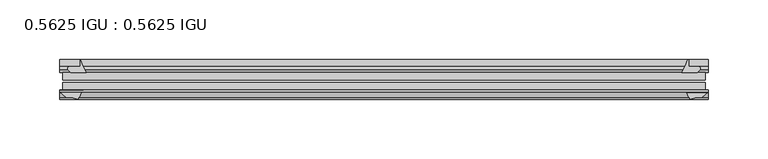
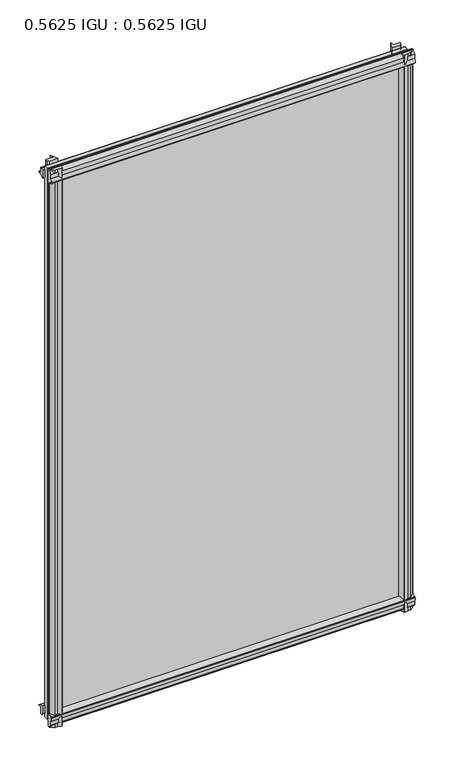
"""IFC4 building model written with IfcOpenShell, lengths in millimetres: plate geometry, 0.5625 IGU : 0.5625 IGU."""

import ifcopenshell
import ifcopenshell.guid

model = None  # the IFC model being written
_history = None  # IfcOwnerHistory: only IFC2X3 demands one
_inside = {}  # id of a spatial element -> (the spatial element, [elements in it])
_under = {}  # id of a project, library or spatial element -> (it, [spatial elements below it])
_declared = {}  # id of a project -> (the project, [libraries it declares])
_typed = {}  # id of a type object -> (the type object, [elements of that type])
_made_of = {}  # id of a material, layer set ... -> (it, [elements and type objects made of it])


def new_model(schema):
    """Start an empty IFC model of exactly this schema.

    Asked for "IFC4X3", IfcOpenShell would pick the latest addendum, in which some entities
    have other attributes; the version numbers below select the first issue.
    IFC2X3 requires an IfcOwnerHistory on every rooted entity: one is made here for all.
    """
    global model, _history
    if schema == "IFC4X3":
        model = ifcopenshell.file(schema_version=(4, 3, 0, 0))
    else:
        model = ifcopenshell.file(schema=schema)
    _inside.clear()
    _under.clear()
    _declared.clear()
    _typed.clear()
    _made_of.clear()
    _history = None
    if model.schema == "IFC2X3":
        org = make("IfcOrganization", Name="unknown")
        user = make(
            "IfcPersonAndOrganization",
            ThePerson=make("IfcPerson", FamilyName="unknown"),
            TheOrganization=org,
        )
        app = make(
            "IfcApplication",
            ApplicationDeveloper=org,
            Version="unknown",
            ApplicationFullName="unknown",
            ApplicationIdentifier="unknown",
        )
        _history = make(
            "IfcOwnerHistory",
            OwningUser=user,
            OwningApplication=app,
            ChangeAction="ADDED",
            CreationDate=0,
        )
    return model


def make(cls, **values):
    """One entity of the class cls with the attributes given. An attribute that is None is left unset."""
    return model.create_entity(
        cls, **{name: value for name, value in values.items() if value is not None}
    )


def rooted(cls, **values):
    """An entity with a GlobalId (a new one), such as an element, a storey or a relation."""
    return make(cls, GlobalId=ifcopenshell.guid.new(), OwnerHistory=_history, **values)


def si_unit(unit_type, name, prefix=None):
    """IfcSIUnit, for example si_unit("LENGTHUNIT", "METRE", prefix="MILLI")."""
    return make("IfcSIUnit", UnitType=unit_type, Prefix=prefix, Name=name)


def assignment(units):
    """IfcUnitAssignment: the units of a project."""
    return None if units is None else make("IfcUnitAssignment", Units=units)


def point(xyz):
    """IfcCartesianPoint."""
    return None if xyz is None else make("IfcCartesianPoint", Coordinates=xyz)


def direction(xyz):
    """IfcDirection."""
    return None if xyz is None else make("IfcDirection", DirectionRatios=xyz)


def frame(location, z_axis=None, x_axis=None):
    """IfcAxis2Placement3D, a coordinate frame: its origin and axes. An axis left out is left unset."""
    return make(
        "IfcAxis2Placement3D",
        Location=point(location),
        Axis=direction(z_axis),
        RefDirection=direction(x_axis),
    )


def frame_2d(location, x_axis=None):
    """IfcAxis2Placement2D, a coordinate frame in the plane: its origin and x axis."""
    return make(
        "IfcAxis2Placement2D", Location=point(location), RefDirection=direction(x_axis)
    )


def origin():
    """The frame at (0, 0, 0) with its axes left unset."""
    return frame((0.0, 0.0, 0.0))


def place(relative_to, where):
    """IfcLocalPlacement: puts the frame where relative to a parent placement (None: the world)."""
    return make(
        "IfcLocalPlacement", PlacementRelTo=relative_to, RelativePlacement=where
    )


def context(
    kind, dimensions, precision=None, world=None, true_north=None, identifier=None
):
    """IfcGeometricRepresentationContext, for example the 3D "Model" context."""
    return make(
        "IfcGeometricRepresentationContext",
        ContextIdentifier=identifier,
        ContextType=kind,
        CoordinateSpaceDimension=dimensions,
        Precision=precision,
        WorldCoordinateSystem=world,
        TrueNorth=true_north,
    )


def project(units=None, contexts=None):
    """IfcProject with its units and contexts."""
    return rooted(
        "IfcProject",
        Name="project",
        RepresentationContexts=contexts,
        UnitsInContext=assignment(units),
    )


def spatial(cls, under=None, at=None, **own):
    """A site, building, storey or space (cls), placed at a placement, below another one or the project."""
    s = rooted(cls, ObjectPlacement=at, **own)
    if under is not None:
        _under.setdefault(under.id(), (under, []))[1].append(s)
    return s


def polyline(points):
    """IfcPolyline through the points."""
    return make("IfcPolyline", Points=[point(p) for p in points])


def circle_curve(where, radius):
    """IfcCircle in the frame where."""
    return make("IfcCircle", Position=where, Radius=radius)


def trimmed(basis, trim1, trim2, sense, master):
    """IfcTrimmedCurve: the piece of a basis curve between two trims."""
    return make(
        "IfcTrimmedCurve",
        BasisCurve=basis,
        Trim1=trim1,
        Trim2=trim2,
        SenseAgreement=sense,
        MasterRepresentation=master,
    )


def segment(curve, same_sense, transition):
    """IfcCompositeCurveSegment."""
    return make(
        "IfcCompositeCurveSegment",
        Transition=transition,
        SameSense=same_sense,
        ParentCurve=curve,
    )


def composite_curve(segments, self_intersect=None):
    """IfcCompositeCurve: segments joined end to end."""
    return make("IfcCompositeCurve", Segments=segments, SelfIntersect=self_intersect)


def outline(outer, holes=None, kind="AREA"):
    """IfcArbitraryClosedProfileDef: a profile drawn as a closed curve; with holes, ...WithVoids."""
    if holes is None:
        return make("IfcArbitraryClosedProfileDef", ProfileType=kind, OuterCurve=outer)
    return make(
        "IfcArbitraryProfileDefWithVoids",
        ProfileType=kind,
        OuterCurve=outer,
        InnerCurves=holes,
    )


def extrude(swept, where, along, depth):
    """IfcExtrudedAreaSolid: the profile swept, set in the frame where, extruded along a direction by depth."""
    return make(
        "IfcExtrudedAreaSolid",
        SweptArea=swept,
        Position=where,
        ExtrudedDirection=direction(along),
        Depth=depth,
    )


def shape(context_of_items, identifier, shape_type, items):
    """IfcShapeRepresentation: the items that make up one representation, for example the "Body"."""
    return make(
        "IfcShapeRepresentation",
        ContextOfItems=context_of_items,
        RepresentationIdentifier=identifier,
        RepresentationType=shape_type,
        Items=items,
    )


def source(mapping_origin, context_of_items, identifier, shape_type, items):
    """IfcRepresentationMap: a shape defined once, which mapped items show again and again."""
    return make(
        "IfcRepresentationMap",
        MappingOrigin=mapping_origin,
        MappedRepresentation=shape(context_of_items, identifier, shape_type, items),
    )


def transform(
    local_origin,
    x_axis=None,
    y_axis=None,
    z_axis=None,
    scale=None,
    scale2=None,
    scale3=None,
    uniform=True,
):
    """IfcCartesianTransformationOperator3D, or its non-uniform kind. x_axis, y_axis, z_axis: its Axis1, 2, 3."""
    if uniform:
        return make(
            "IfcCartesianTransformationOperator3D",
            Axis1=direction(x_axis),
            Axis2=direction(y_axis),
            LocalOrigin=point(local_origin),
            Scale=scale,
            Axis3=direction(z_axis),
        )
    return make(
        "IfcCartesianTransformationOperator3DnonUniform",
        Axis1=direction(x_axis),
        Axis2=direction(y_axis),
        LocalOrigin=point(local_origin),
        Scale=scale,
        Axis3=direction(z_axis),
        Scale2=scale2,
        Scale3=scale3,
    )


def mapped(mapping_source, mapping_target):
    """IfcMappedItem: shows the shape of a source again, moved by a transform."""
    return make(
        "IfcMappedItem", MappingSource=mapping_source, MappingTarget=mapping_target
    )


def made_of(thing, what):
    """Note that an element or type object is made of a material, layer set ...; save() writes the relation."""
    if what is not None:
        _made_of.setdefault(what.id(), (what, []))[1].append(thing)
    return thing


def element(
    cls,
    number,
    at=None,
    inside=None,
    cuts=None,
    type_object=None,
    material=None,
    context=None,
    identifier="Body",
    shape_type=None,
    held_by="IfcProductDefinitionShape",
    body=None,
    shapes=None,
    **own,
):
    """One element of the class cls, such as IfcWall. Its Tag is "e" and its number.

    at: its placement. inside: the storey or other place that contains it. cuts: it is an
    opening in that element (IfcRelVoidsElement). A single representation is given by context,
    identifier, shape_type and body (its items); several are given by shapes. held_by: the class
    of the entity that holds the representations. save() writes the other relations.
    """
    e = rooted(cls, Tag="e%d" % number, ObjectPlacement=at, **own)
    if body is not None:
        shapes = [shape(context, identifier, shape_type, body)]
    if shapes is not None:
        e.Representation = make(held_by, Representations=shapes)
    if inside is not None:
        _inside.setdefault(inside.id(), (inside, []))[1].append(e)
    if cuts is not None:
        rooted(
            "IfcRelVoidsElement", RelatingBuildingElement=cuts, RelatedOpeningElement=e
        )
    if type_object is not None:
        _typed.setdefault(type_object.id(), (type_object, []))[1].append(e)
    return made_of(e, material)


def aggregate(whole, parts):
    """IfcRelAggregates: a whole, such as a stair, and the parts it consists of."""
    return rooted("IfcRelAggregates", RelatingObject=whole, RelatedObjects=parts)


def save(model, path):
    """Write the relations noted so far, then the file.

    IfcRelAggregates (storeys below a building ...), IfcRelContainedInSpatialStructure (elements
    in a storey), IfcRelDefinesByType, IfcRelAssociatesMaterial and IfcRelDeclares: one each for
    every whole, place, type object, material and project.
    """
    for whole, parts in _under.values():
        aggregate(whole, parts)
    for where, things in _inside.values():
        rooted(
            "IfcRelContainedInSpatialStructure",
            RelatedElements=things,
            RelatingStructure=where,
        )
    for kind, things in _typed.values():
        rooted("IfcRelDefinesByType", RelatedObjects=things, RelatingType=kind)
    for what, things in _made_of.values():
        rooted("IfcRelAssociatesMaterial", RelatedObjects=things, RelatingMaterial=what)
    for by, libraries in _declared.values():
        rooted("IfcRelDeclares", RelatingContext=by, RelatedDefinitions=libraries)
    model.write(path)


def plate_0_5625_igu_0_5625_igu_277ce044(model_context):
    return source(origin(), model_context, "Body", "SweptSolid", [
        extrude(outline(composite_curve([segment(trimmed(circle_curve(frame_2d((-37.8345654, 15.3636795)), 15.5602222), [point((-35.093275, 0.0468313))], [point((-27.955875, 3.3415337))], True, "CARTESIAN"), True, "CONTINUOUS"), segment(polyline([(-27.955875, 3.3415337), (-27.955875, -17.9974199)]), True, "CONTINUOUS"), segment(trimmed(circle_curve(frame_2d((-28.971875, -17.9974199)), 1.016), [point((-27.955875, -17.9974199))], [point((-29.7387172, -18.6639099))], False, "CARTESIAN"), True, "CONTINUOUS"), segment(polyline([(-29.7387172, -18.6639099), (-34.305875, -13.4090837), (-34.305875, -7.4052024), (-35.880675, -1.5279687), (-34.305875, -1.5279687), (-34.305875, -0.7405687)]), True, "CONTINUOUS"), segment(trimmed(circle_curve(frame_2d((-35.093275, -0.7405687)), 0.7874), [point((-34.305875, -0.7405687))], [point((-35.093275, 0.0468313))], True, "CARTESIAN"), True, "CONTINUOUS")], self_intersect=False)), frame((-272.2622763, 0.0, 0.0), z_axis=(1.0, 0.0, 0.0), x_axis=(0.0, 1.0, 0.0)), (0.0, 0.0, 1.0), 544.5245525),
        extrude(outline(composite_curve([segment(trimmed(circle_curve(frame_2d((11.4445684, 45.0767023)), 47.0962123), [point((-13.096875, 4.8800511))], [point((-2.198896, 0.0))], True, "CARTESIAN"), True, "CONTINUOUS"), segment(polyline([(-2.198896, 0.0), (-8.321675, 0.0), (-8.321675, -9.0936065)]), True, "CONTINUOUS"), segment(trimmed(circle_curve(frame_2d((-9.9050751, -9.085239)), 1.5834222), [point((-8.321675, -9.0936065))], [point((-11.0877177, -10.1381313))], False, "CARTESIAN"), True, "CONTINUOUS"), segment(polyline([(-11.0877177, -10.1381313), (-13.096875, -7.8711888), (-13.096875, 4.8800511)]), True, "CONTINUOUS")], self_intersect=False)), frame((-272.2622763, 0.0, 0.0), z_axis=(1.0, 0.0, 0.0), x_axis=(0.0, 1.0, 0.0)), (0.0, 0.0, 1.0), 544.5245525),
        extrude(outline(composite_curve([segment(polyline([(-34.305875, 857.9590837), (-29.7387172, 863.2139099)]), True, "CONTINUOUS"), segment(trimmed(circle_curve(frame_2d((-28.971875, 862.5474199)), 1.016), [point((-29.7387172, 863.2139099))], [point((-27.955875, 862.5474199))], False, "CARTESIAN"), True, "CONTINUOUS"), segment(polyline([(-27.955875, 862.5474199), (-27.955875, 841.2084663)]), True, "CONTINUOUS"), segment(trimmed(circle_curve(frame_2d((-37.8345654, 829.1863205)), 15.5602222), [point((-27.955875, 841.2084663))], [point((-35.093275, 844.5031687))], True, "CARTESIAN"), True, "CONTINUOUS"), segment(trimmed(circle_curve(frame_2d((-35.093275, 845.2905687)), 0.7874), [point((-35.093275, 844.5031687))], [point((-34.305875, 845.2905688))], True, "CARTESIAN"), True, "CONTINUOUS"), segment(polyline([(-34.305875, 845.2905688), (-34.305875, 846.0779687), (-35.880675, 846.0779687), (-34.305875, 851.9552024), (-34.305875, 857.9590837)]), True, "CONTINUOUS")], self_intersect=False)), frame((-272.2622763, 0.0, 0.0), z_axis=(1.0, 0.0, 0.0), x_axis=(0.0, 1.0, 0.0)), (0.0, 0.0, 1.0), 544.5245525),
        extrude(outline(composite_curve([segment(trimmed(circle_curve(frame_2d((-9.9050751, 853.635239)), 1.5834222), [point((-11.0877177, 854.6881313))], [point((-8.321675, 853.6436065))], False, "CARTESIAN"), True, "CONTINUOUS"), segment(polyline([(-8.321675, 853.6436065), (-8.321675, 844.55), (-2.198896, 844.55)]), True, "CONTINUOUS"), segment(trimmed(circle_curve(frame_2d((11.4445684, 799.4732977)), 47.0962123), [point((-2.198896, 844.55))], [point((-13.096875, 839.6699489))], True, "CARTESIAN"), True, "CONTINUOUS"), segment(polyline([(-13.096875, 839.6699489), (-13.096875, 852.4211888), (-11.0877177, 854.6881313)]), True, "CONTINUOUS")], self_intersect=False)), frame((-272.2622763, 0.0, 0.0), z_axis=(1.0, 0.0, 0.0), x_axis=(0.0, 1.0, 0.0)), (0.0, 0.0, 1.0), 544.5245525),
        extrude(outline(composite_curve([segment(polyline([(255.6331561, -8.321675), (263.9024378, -8.321675)]), True, "CONTINUOUS"), segment(trimmed(circle_curve(frame_2d((263.8940703, -9.9050751)), 1.5834222), [point((263.9024378, -8.321675))], [point((264.9469626, -11.0877177))], False, "CARTESIAN"), True, "CONTINUOUS"), segment(polyline([(264.9469626, -11.0877177), (262.68002, -13.096875), (249.9287802, -13.096875)]), True, "CONTINUOUS"), segment(trimmed(circle_curve(frame_2d((209.7321289, 11.4445684)), 47.0962123), [point((249.9287802, -13.096875))], [point((254.762, -2.352675))], True, "CARTESIAN"), True, "CONTINUOUS"), segment(polyline([(254.762, -2.352675), (255.6331561, -2.5510821), (255.6331561, -8.321675)]), True, "CONTINUOUS")], self_intersect=False)), frame((0.0, 0.0, -19.0134199), z_axis=(0.0, 0.0, 1.0), x_axis=(1.0, 0.0, 0.0)), (0.0, 0.0, 1.0), 882.2273298),
        extrude(outline(composite_curve([segment(trimmed(circle_curve(frame_2d((271.2462763, -28.971875)), 1.016), [point((271.2462763, -27.955875))], [point((271.9127663, -29.7387172))], False, "CARTESIAN"), True, "CONTINUOUS"), segment(polyline([(271.9127663, -29.7387172), (266.6579401, -34.305875), (262.6458336, -34.305875), (256.7686, -35.880675), (256.7686, -34.305875), (255.6782443, -34.305875)]), True, "CONTINUOUS"), segment(trimmed(circle_curve(frame_2d((244.0422917, -36.1215237)), 11.7767556), [point((255.6782443, -34.305875))], [point((252.5284071, -27.955875))], True, "CARTESIAN"), True, "CONTINUOUS"), segment(polyline([(252.5284071, -27.955875), (271.2462763, -27.955875)]), True, "CONTINUOUS")], self_intersect=False)), frame((0.0, 0.0, -19.0134199), z_axis=(0.0, 0.0, 1.0), x_axis=(1.0, 0.0, 0.0)), (0.0, 0.0, 1.0), 882.2273298),
        extrude(outline(composite_curve([segment(trimmed(circle_curve(frame_2d((-209.7321289, 11.4445684)), 47.0962123), [point((-254.7122882, -2.5138875))], [point((-249.9287802, -13.096875))], True, "CARTESIAN"), True, "CONTINUOUS"), segment(polyline([(-249.9287802, -13.096875), (-262.68002, -13.096875), (-264.9469626, -11.0877177)]), True, "CONTINUOUS"), segment(trimmed(circle_curve(frame_2d((-263.8940703, -9.9050751)), 1.5834222), [point((-264.9469626, -11.0877177))], [point((-263.9024378, -8.321675))], False, "CARTESIAN"), True, "CONTINUOUS"), segment(polyline([(-263.9024378, -8.321675), (-254.7122882, -8.321675), (-254.7122882, -2.5138875)]), True, "CONTINUOUS")], self_intersect=False)), frame((0.0, 0.0, -19.0134199), z_axis=(0.0, 0.0, 1.0), x_axis=(1.0, 0.0, 0.0)), (0.0, 0.0, 1.0), 882.5768398),
        extrude(outline(composite_curve([segment(trimmed(circle_curve(frame_2d((-244.0422917, -36.1215237)), 11.7767556), [point((-252.5284071, -27.955875))], [point((-255.6782443, -34.305875))], True, "CARTESIAN"), True, "CONTINUOUS"), segment(polyline([(-255.6782443, -34.305875), (-256.7686, -34.305875), (-256.7686, -35.880675), (-262.6458336, -34.305875), (-266.6579401, -34.305875), (-271.9127663, -29.7387172)]), True, "CONTINUOUS"), segment(trimmed(circle_curve(frame_2d((-271.2462763, -28.971875)), 1.016), [point((-271.9127663, -29.7387172))], [point((-271.2462763, -27.955875))], False, "CARTESIAN"), True, "CONTINUOUS"), segment(polyline([(-271.2462763, -27.955875), (-252.5284071, -27.955875)]), True, "CONTINUOUS")], self_intersect=False)), frame((0.0, 0.0, -19.0134199), z_axis=(0.0, 0.0, 1.0), x_axis=(1.0, 0.0, 0.0)), (0.0, 0.0, 1.0), 882.5768398),
        extrude(outline(polyline([(-269.4813, -13.096875), (269.4813, -13.096875), (269.4813, -19.396075), (-269.4813, -19.396075), (-269.4813, -13.096875)])), frame((0.0, 0.0, -13.5929687), z_axis=(0.0, 0.0, 1.0), x_axis=(1.0, 0.0, 0.0)), (0.0, 0.0, 1.0), 871.7359375),
        extrude(outline(polyline([(269.4813, -21.656675), (269.4813, -27.955875), (-269.4813, -27.955875), (-269.4813, -21.656675), (269.4813, -21.656675)])), frame((0.0, 0.0, -13.5929687), z_axis=(0.0, 0.0, 1.0), x_axis=(1.0, 0.0, 0.0)), (0.0, 0.0, 1.0), 871.7359375),
    ])


if __name__ == "__main__":
    model = new_model("IFC4")
    model_context = context("Model", 3, world=origin())
    ifc_project = project(units=[si_unit("LENGTHUNIT", "METRE", prefix="MILLI")], contexts=[model_context])
    site = spatial("IfcSite", under=ifc_project)
    building = spatial("IfcBuilding", under=site)
    placement = place(None, origin())
    plate_0_5625_igu_0_5625_igu_shape = plate_0_5625_igu_0_5625_igu_277ce044(model_context)
    element("IfcPlate", 1, ObjectType="0.5625 IGU : 0.5625 IGU", at=placement, inside=building, context=model_context, shape_type="MappedRepresentation", body=[
        mapped(plate_0_5625_igu_0_5625_igu_shape, transform((0.0, 0.0, 0.0), x_axis=(1.0, 0.0, 0.0), y_axis=(0.0, 1.0, 0.0), z_axis=(0.0, 0.0, 1.0))),
    ])
    save(model, "model.ifc")
